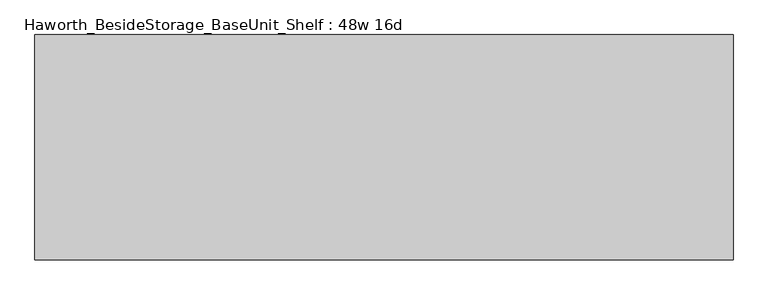
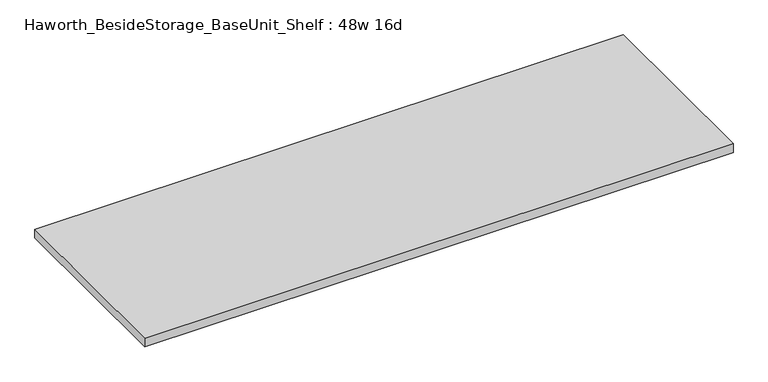
"""IFC4 building model written with IfcOpenShell, lengths in millimetres: furniture geometry, Haworth_BesideStorage_BaseUnit_Shelf : 48w 16d."""

from ifc_helpers import new_model, si_unit, frame, origin, place, context, project, spatial, polyline, outline, extrude, source, transform, mapped, element, save


def haworth_besidestorage_baseunit_shelf_48w_16d_3370fcfc(model_context):
    return source(origin(), model_context, "Body", "SweptSolid", [
        extrude(outline(polyline([(609.6, 196.85), (609.6, -196.85), (-609.6, -196.85), (-609.6, 196.85), (609.6, 196.85)])), frame((0.0, 0.0, 277.8125), z_axis=(0.0, 0.0, 1.0), x_axis=(1.0, 0.0, 0.0)), (0.0, 0.0, 1.0), 19.05),
    ])


if __name__ == "__main__":
    model = new_model("IFC4")
    model_context = context("Model", 3, world=origin())
    ifc_project = project(units=[si_unit("LENGTHUNIT", "METRE", prefix="MILLI")], contexts=[model_context])
    site = spatial("IfcSite", under=ifc_project)
    building = spatial("IfcBuilding", under=site)
    placement = place(None, origin())
    haworth_besidestorage_baseunit_shelf_48w_16d_shape = haworth_besidestorage_baseunit_shelf_48w_16d_3370fcfc(model_context)
    element("IfcFurniture", 1, ObjectType="Haworth_BesideStorage_BaseUnit_Shelf : 48w 16d", at=placement, inside=building, context=model_context, shape_type="MappedRepresentation", body=[
        mapped(haworth_besidestorage_baseunit_shelf_48w_16d_shape, transform((0.0, 0.0, 0.0), x_axis=(1.0, 0.0, 0.0), y_axis=(0.0, 1.0, 0.0), z_axis=(0.0, 0.0, 1.0))),
    ])
    save(model, "model.ifc")
